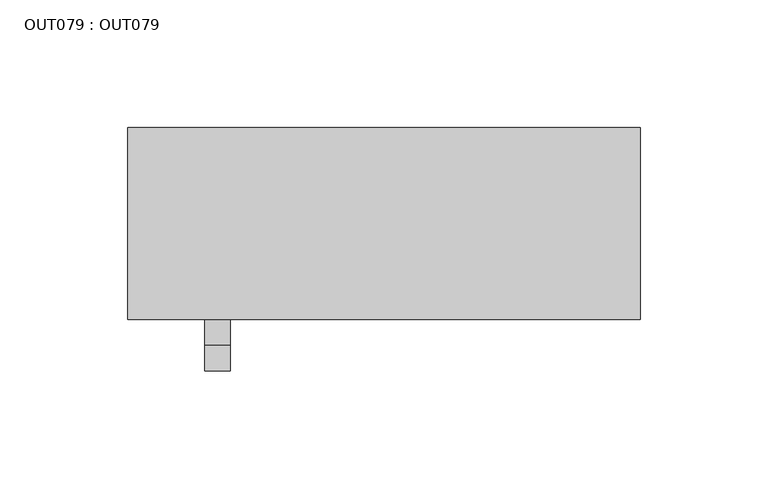
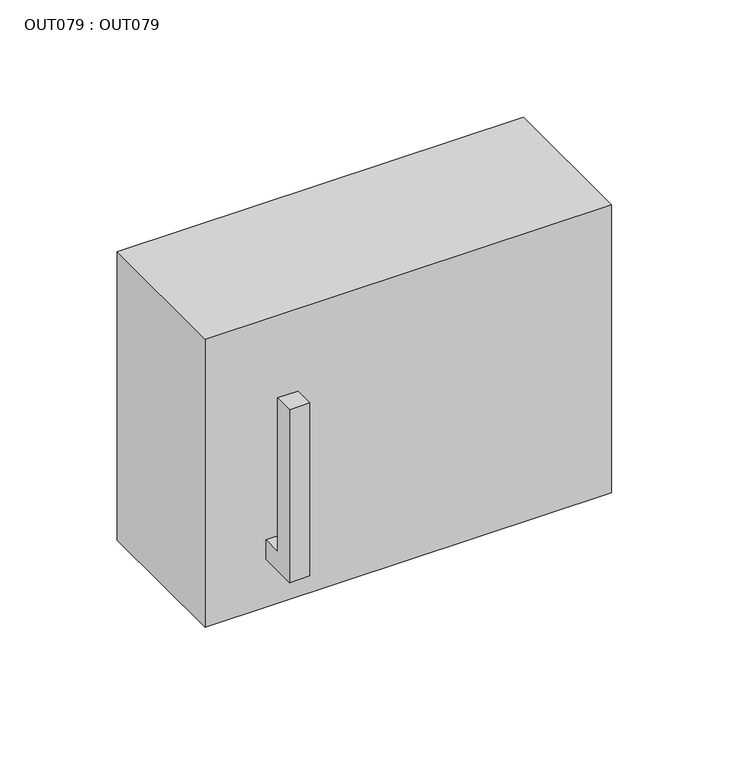
"""IFC4 building model written with IfcOpenShell, lengths in millimetres: proxy geometry, OUT079 : OUT079."""

from ifc_helpers import new_model, si_unit, frame, origin, place, context, project, spatial, polyline, outline, extrude, source, transform, mapped, element, save


def out079_out079_d8650911(model_context):
    return source(origin(), model_context, "Body", "SweptSolid", [
        extrude(outline(polyline([(-94.9999971, -50.0000004), (-94.9999971, 40.0000021), (-84.9999988, 40.0000021), (-84.9999988, -40.0000021), (-75.0000006, -40.0000021), (-75.0000006, -50.0000004), (-94.9999971, -50.0000004)])), frame((-70.0000014, 0.0, 0.0), z_axis=(1.0, 0.0, 0.0), x_axis=(0.0, 1.0, 0.0)), (0.0, 0.0, 1.0), 10.0000028),
        extrude(outline(polyline([(100.0000008, 0.0), (100.0000008, -75.0000006), (-100.0000008, -75.0000006), (-100.0000008, 0.0), (100.0000008, 0.0)])), frame((0.0, 0.0, -75.0000006), z_axis=(0.0, 0.0, 1.0), x_axis=(1.0, 0.0, 0.0)), (0.0, 0.0, 1.0), 150.0000011),
    ])


if __name__ == "__main__":
    model = new_model("IFC4")
    model_context = context("Model", 3, world=origin())
    ifc_project = project(units=[si_unit("LENGTHUNIT", "METRE", prefix="MILLI")], contexts=[model_context])
    site = spatial("IfcSite", under=ifc_project)
    building = spatial("IfcBuilding", under=site)
    placement = place(None, origin())
    out079_out079_shape = out079_out079_d8650911(model_context)
    element("IfcBuildingElementProxy", 1, Name="OUT079 : OUT079", ObjectType="OUT079 : OUT079", at=placement, inside=building, context=model_context, shape_type="MappedRepresentation", body=[
        mapped(out079_out079_shape, transform((0.0, 0.0, 0.0), x_axis=(1.0, 0.0, 0.0), y_axis=(0.0, 1.0, 0.0), z_axis=(0.0, 0.0, 1.0))),
    ])
    save(model, "model.ifc")
